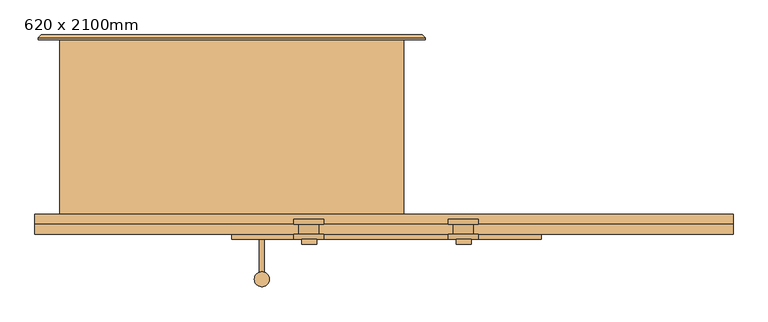
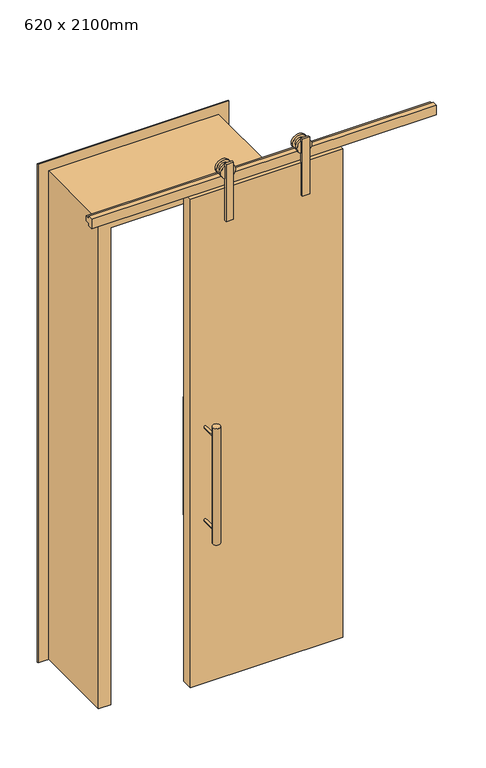
"""IFC4 building model written with IfcOpenShell, lengths in millimetres: door geometry, 620 x 2100mm."""

from ifc_helpers import new_model, si_unit, point, frame, frame_2d, origin, origin_with_axes, place, context, project, spatial, polyline, circle_curve, trimmed, segment, composite_curve, outline, extrude, faceted_brep, source, transform, mapped, element, save


def door_620_x_2100mm_18bbc1db(model_context):
    return source(origin(), model_context, "Body", "SolidModel", [
        extrude(outline(composite_curve([segment(trimmed(circle_curve(frame_2d((60.0, -100.0)), 15.0), [point((45.0, -100.0))], [point((75.0, -100.0))], False, "CARTESIAN"), True, "CONTINUOUS"), segment(trimmed(circle_curve(frame_2d((60.0, -100.0)), 15.0), [point((75.0, -100.0))], [point((45.0, -100.0))], False, "CARTESIAN"), True, "CONTINUOUS")], self_intersect=False)), frame((0.0, 0.0, 650.0), z_axis=(0.0, 0.0, 1.0), x_axis=(1.0, 0.0, 0.0)), (0.0, 0.0, 1.0), 500.0),
        extrude(outline(composite_curve([segment(trimmed(circle_curve(frame_2d((1100.0, 60.0)), 5.0), [point((1100.0, 55.0))], [point((1100.0, 65.0))], False, "CARTESIAN"), True, "CONTINUOUS"), segment(trimmed(circle_curve(frame_2d((1100.0, 60.0)), 5.0), [point((1100.0, 65.0))], [point((1100.0, 55.0))], False, "CARTESIAN"), True, "CONTINUOUS")], self_intersect=False)), frame((0.0, -180.0, 0.0), z_axis=(0.0, 1.0, 0.0), x_axis=(0.0, 0.0, 1.0)), (0.0, 0.0, 1.0), 80.0),
        extrude(outline(composite_curve([segment(trimmed(circle_curve(frame_2d((700.0, 60.0)), 5.0), [point((700.0, 55.0))], [point((700.0, 65.0))], False, "CARTESIAN"), True, "CONTINUOUS"), segment(trimmed(circle_curve(frame_2d((700.0, 60.0)), 5.0), [point((700.0, 65.0))], [point((700.0, 55.0))], False, "CARTESIAN"), True, "CONTINUOUS")], self_intersect=False)), frame((0.0, -180.0, 0.0), z_axis=(0.0, 1.0, 0.0), x_axis=(0.0, 0.0, 1.0)), (0.0, 0.0, 1.0), 80.0),
        extrude(outline(composite_curve([segment(trimmed(circle_curve(frame_2d((1100.0, 60.0)), 5.0), [point((1100.0, 55.0))], [point((1100.0, 65.0))], False, "CARTESIAN"), True, "CONTINUOUS"), segment(trimmed(circle_curve(frame_2d((1100.0, 60.0)), 5.0), [point((1100.0, 65.0))], [point((1100.0, 55.0))], False, "CARTESIAN"), True, "CONTINUOUS")], self_intersect=False)), frame((0.0, -305.0, 0.0), z_axis=(0.0, 1.0, 0.0), x_axis=(0.0, 0.0, 1.0)), (0.0, 0.0, 1.0), 80.0),
        extrude(outline(composite_curve([segment(trimmed(circle_curve(frame_2d((700.0, 60.0)), 5.0), [point((700.0, 55.0))], [point((700.0, 65.0))], False, "CARTESIAN"), True, "CONTINUOUS"), segment(trimmed(circle_curve(frame_2d((700.0, 60.0)), 5.0), [point((700.0, 65.0))], [point((700.0, 55.0))], False, "CARTESIAN"), True, "CONTINUOUS")], self_intersect=False)), frame((0.0, -305.0, 0.0), z_axis=(0.0, 1.0, 0.0), x_axis=(0.0, 0.0, 1.0)), (0.0, 0.0, 1.0), 80.0),
        extrude(outline(composite_curve([segment(trimmed(circle_curve(frame_2d((60.0, -305.0)), 15.0), [point((45.0, -305.0))], [point((75.0, -305.0))], False, "CARTESIAN"), True, "CONTINUOUS"), segment(trimmed(circle_curve(frame_2d((60.0, -305.0)), 15.0), [point((75.0, -305.0))], [point((45.0, -305.0))], False, "CARTESIAN"), True, "CONTINUOUS")], self_intersect=False)), frame((0.0, 0.0, 650.0), z_axis=(0.0, 0.0, 1.0), x_axis=(1.0, 0.0, 0.0)), (0.0, 0.0, 1.0), 500.0),
        extrude(outline(composite_curve([segment(trimmed(circle_curve(frame_2d((2165.0, 463.9705806)), 30.0), [point((2165.0, 493.9705806))], [point((2165.0, 433.9705806))], False, "CARTESIAN"), True, "CONTINUOUS"), segment(trimmed(circle_curve(frame_2d((2165.0, 463.9705806)), 30.0), [point((2165.0, 433.9705806))], [point((2165.0, 493.9705806))], False, "CARTESIAN"), True, "CONTINUOUS")], self_intersect=False)), frame((0.0, -225.0, 0.0), z_axis=(0.0, 1.0, 0.0), x_axis=(0.0, 0.0, 1.0)), (0.0, 0.0, 1.0), 10.0),
        extrude(outline(polyline([(480.0, -235.0), (450.0, -235.0), (450.0, -225.0), (480.0, -225.0), (480.0, -235.0)])), frame((0.0, 0.0, 1960.0), z_axis=(0.0, 0.0, 1.0), x_axis=(1.0, 0.0, 0.0)), (0.0, 0.0, 1.0), 245.0),
        extrude(outline(composite_curve([segment(trimmed(circle_curve(frame_2d((2165.0, 463.9705806)), 20.0), [point((2165.0, 483.9705806))], [point((2165.0, 443.9705806))], False, "CARTESIAN"), True, "CONTINUOUS"), segment(trimmed(circle_curve(frame_2d((2165.0, 463.9705806)), 20.0), [point((2165.0, 443.9705806))], [point((2165.0, 483.9705806))], False, "CARTESIAN"), True, "CONTINUOUS")], self_intersect=False)), frame((0.0, -215.0, 0.0), z_axis=(0.0, 1.0, 0.0), x_axis=(0.0, 0.0, 1.0)), (0.0, 0.0, 1.0), 20.0),
        extrude(outline(composite_curve([segment(trimmed(circle_curve(frame_2d((2165.0, 463.9705806)), 30.0), [point((2165.0, 493.9705806))], [point((2165.0, 433.9705806))], False, "CARTESIAN"), True, "CONTINUOUS"), segment(trimmed(circle_curve(frame_2d((2165.0, 463.9705806)), 30.0), [point((2165.0, 433.9705806))], [point((2165.0, 493.9705806))], False, "CARTESIAN"), True, "CONTINUOUS")], self_intersect=False)), frame((0.0, -195.0, 0.0), z_axis=(0.0, 1.0, 0.0), x_axis=(0.0, 0.0, 1.0)), (0.0, 0.0, 1.0), 10.0),
        extrude(outline(composite_curve([segment(trimmed(circle_curve(frame_2d((2165.0, 153.9705806)), 30.0), [point((2165.0, 183.9705806))], [point((2165.0, 123.9705806))], False, "CARTESIAN"), True, "CONTINUOUS"), segment(trimmed(circle_curve(frame_2d((2165.0, 153.9705806)), 30.0), [point((2165.0, 123.9705806))], [point((2165.0, 183.9705806))], False, "CARTESIAN"), True, "CONTINUOUS")], self_intersect=False)), frame((0.0, -225.0, 0.0), z_axis=(0.0, 1.0, 0.0), x_axis=(0.0, 0.0, 1.0)), (0.0, 0.0, 1.0), 10.0),
        extrude(outline(polyline([(170.0, -235.0), (140.0, -235.0), (140.0, -225.0), (170.0, -225.0), (170.0, -235.0)])), frame((0.0, 0.0, 1960.0), z_axis=(0.0, 0.0, 1.0), x_axis=(1.0, 0.0, 0.0)), (0.0, 0.0, 1.0), 245.0),
        extrude(outline(composite_curve([segment(trimmed(circle_curve(frame_2d((2165.0, 153.9705806)), 20.0), [point((2165.0, 173.9705806))], [point((2165.0, 133.9705806))], False, "CARTESIAN"), True, "CONTINUOUS"), segment(trimmed(circle_curve(frame_2d((2165.0, 153.9705806)), 20.0), [point((2165.0, 133.9705806))], [point((2165.0, 173.9705806))], False, "CARTESIAN"), True, "CONTINUOUS")], self_intersect=False)), frame((0.0, -215.0, 0.0), z_axis=(0.0, 1.0, 0.0), x_axis=(0.0, 0.0, 1.0)), (0.0, 0.0, 1.0), 20.0),
        extrude(outline(composite_curve([segment(trimmed(circle_curve(frame_2d((2165.0, 153.9705806)), 30.0), [point((2165.0, 183.9705806))], [point((2165.0, 123.9705806))], False, "CARTESIAN"), True, "CONTINUOUS"), segment(trimmed(circle_curve(frame_2d((2165.0, 153.9705806)), 30.0), [point((2165.0, 123.9705806))], [point((2165.0, 183.9705806))], False, "CARTESIAN"), True, "CONTINUOUS")], self_intersect=False)), frame((0.0, -195.0, 0.0), z_axis=(0.0, 1.0, 0.0), x_axis=(0.0, 0.0, 1.0)), (0.0, 0.0, 1.0), 10.0),
        extrude(outline(polyline([(620.0, -180.0), (620.0, -225.0), (0.0, -225.0), (0.0, -180.0), (620.0, -180.0)])), origin_with_axes(), (0.0, 0.0, 1.0), 2100.0),
        extrude(outline(polyline([(0.0, -345.0), (0.0, -295.0), (2050.0, -295.0), (2050.0, 295.0), (0.0, 295.0), (0.0, 345.0), (2100.0, 345.0), (2100.0, -345.0), (0.0, -345.0)])), frame((0.0, -175.0, 0.0), z_axis=(0.0, 1.0, 0.0), x_axis=(0.0, 0.0, 1.0)), (0.0, 0.0, 1.0), 350.0),
        extrude(outline(polyline([(-195.0, 2105.0), (-215.0, 2105.0), (-215.0, 2145.0), (-195.0, 2145.0), (-195.0, 2135.0), (-175.0, 2135.0), (-175.0, 2115.0), (-195.0, 2115.0), (-195.0, 2105.0)])), frame((-395.0, 0.0, 0.0), z_axis=(1.0, 0.0, 0.0), x_axis=(0.0, 1.0, 0.0)), (0.0, 0.0, 1.0), 1400.0),
        faceted_brep([(-388.0, 179.0, 0.0), (-382.0, 185.0, 0.0), (-318.0, 185.0, 0.0), (-318.0, 175.0, 0.0), (-388.0, 175.0, 0.0), (-388.0, 179.0, 2143.0), (-382.0, 185.0, 2137.0), (382.0, 185.0, 2137.0), (382.0, 185.0, 0.0), (318.0, 185.0, 0.0), (318.0, 185.0, 2073.0), (-318.0, 185.0, 2073.0), (-318.0, 175.0, 2073.0), (318.0, 175.0, 2073.0), (318.0, 175.0, 0.0), (388.0, 175.0, 0.0), (388.0, 175.0, 2143.0), (-388.0, 175.0, 2143.0), (388.0, 179.0, 2143.0), (388.0, 179.0, 0.0)], [[[0, 1, 2, 3, 4]], [[1, 0, 5, 6]], [[2, 1, 6, 7, 8, 9, 10, 11]], [[3, 2, 11, 12]], [[4, 3, 12, 13, 14, 15, 16, 17]], [[0, 4, 17, 5]], [[7, 18, 19, 8]], [[19, 15, 14, 9, 8]], [[13, 10, 9, 14]], [[18, 16, 15, 19]], [[6, 5, 18, 7]], [[12, 11, 10, 13]], [[5, 17, 16, 18]]]),
    ])


if __name__ == "__main__":
    model = new_model("IFC4")
    model_context = context("Model", 3, world=origin())
    ifc_project = project(units=[si_unit("LENGTHUNIT", "METRE", prefix="MILLI")], contexts=[model_context])
    site = spatial("IfcSite", under=ifc_project)
    building = spatial("IfcBuilding", under=site)
    placement = place(None, origin())
    door_620_x_2100mm_shape = door_620_x_2100mm_18bbc1db(model_context)
    element("IfcDoor", 1, ObjectType="620 x 2100mm", at=placement, inside=building, context=model_context, shape_type="MappedRepresentation", body=[
        mapped(door_620_x_2100mm_shape, transform((0.0, 0.0, 0.0), x_axis=(1.0, 0.0, 0.0), y_axis=(0.0, 1.0, 0.0), z_axis=(0.0, 0.0, 1.0))),
    ])
    save(model, "model.ifc")
